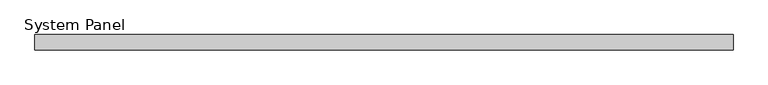
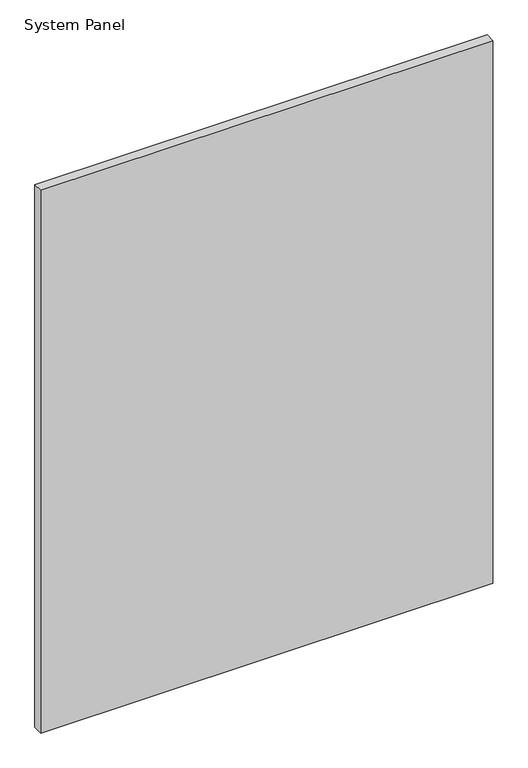
"""IFC4 building model written with IfcOpenShell, lengths in millimetres: plate geometry, System Panel."""

from ifc_helpers import new_model, si_unit, origin, origin_with_axes, place, context, project, spatial, polyline, outline, extrude, source, transform, mapped, element, save


def system_panel_00a4e7e7(model_context):
    return source(origin(), model_context, "Body", "SweptSolid", [
        extrude(outline(polyline([(582.8265487, -22.225), (-582.8265487, -22.225), (-582.8265487, 3.175), (582.8265487, 3.175), (582.8265487, -22.225)])), origin_with_axes(), (0.0, 0.0, 1.0), 1479.5205481),
    ])


if __name__ == "__main__":
    model = new_model("IFC4")
    model_context = context("Model", 3, world=origin())
    ifc_project = project(units=[si_unit("LENGTHUNIT", "METRE", prefix="MILLI")], contexts=[model_context])
    site = spatial("IfcSite", under=ifc_project)
    building = spatial("IfcBuilding", under=site)
    placement = place(None, origin())
    system_panel_shape = system_panel_00a4e7e7(model_context)
    element("IfcPlate", 1, ObjectType="System Panel", at=placement, inside=building, context=model_context, shape_type="MappedRepresentation", body=[
        mapped(system_panel_shape, transform((0.0, 0.0, 0.0), x_axis=(1.0, 0.0, 0.0), y_axis=(0.0, 1.0, 0.0), z_axis=(0.0, 0.0, 1.0))),
    ])
    save(model, "model.ifc")
